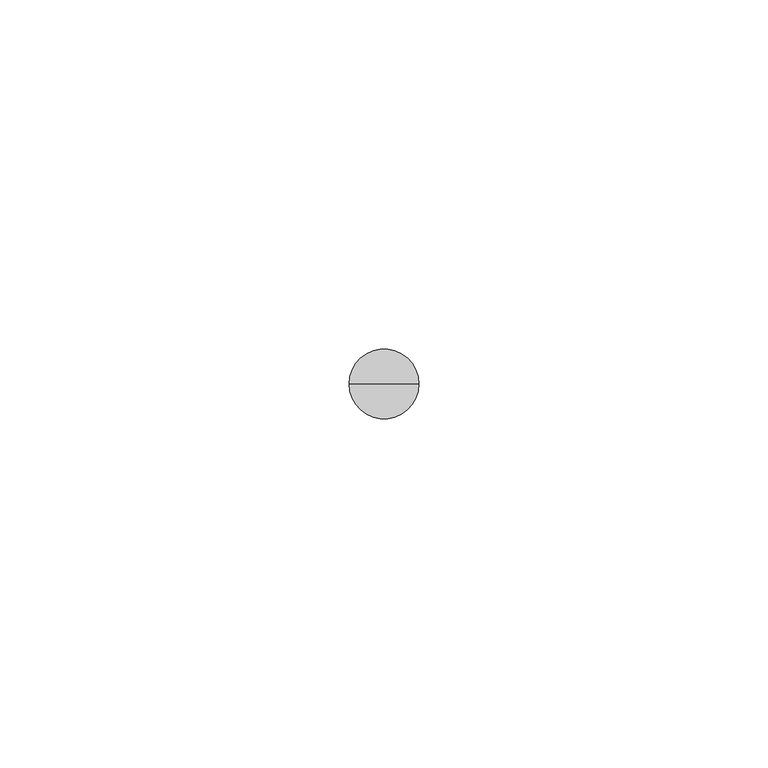
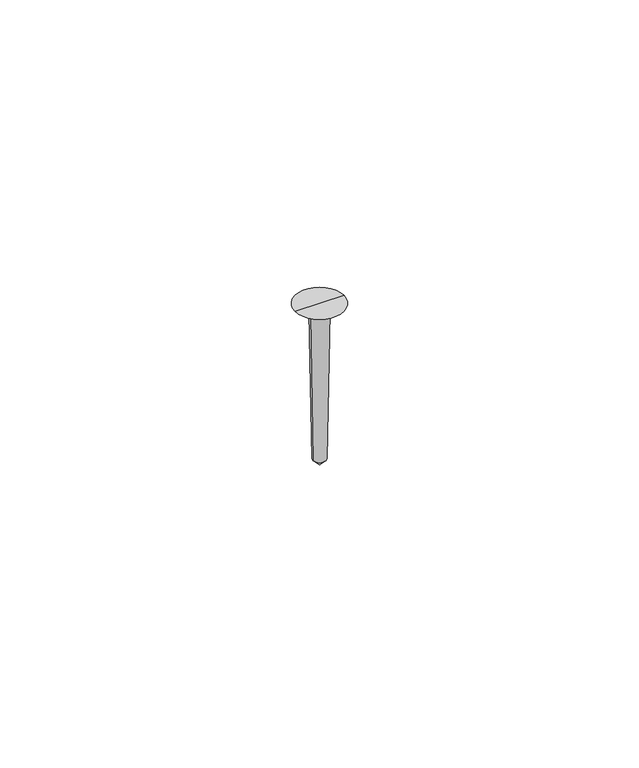
"""IFC4 building model written with IfcOpenShell, lengths in millimetres: proxy geometry."""

from ifc_helpers import new_model, si_unit, frame, origin, origin_with_axes, place, context, project, spatial, polyline, circle_curve, source, transform, mapped, element, save
from ifc_brep_helpers import plane_surface, revolved_surface, advanced_brep


def generic_models_dd5f082f(model_context):
    return source(origin(), model_context, "Body", "AdvancedBrep", [
        advanced_brep(
        [(-5.0, 0.0, 0.0), (5.0, 0.0, 0.0), (1.865608, 0.0, -1.809642), (-1.865608, 0.0, -1.809642), (1.3053271, 0.0, -33.6594235), (-1.3053271, 0.0, -33.6594235), (0.0, 0.0, -35.0), (0.0, 0.0, 0.0)],
        [
            (0, 1, circle_curve(frame((0.0, 0.0, 0.0), z_axis=(0.0, 0.0, -1.0), x_axis=(1.0, 0.0, 0.0)), 5.0)),
            (1, 2),
            (2, 3, circle_curve(frame((0.0, 0.0, -1.809642), z_axis=(0.0, 0.0, 1.0), x_axis=(1.0, 0.0, 0.0)), 1.865608)),
            (3, 0),
            (1, 0, circle_curve(frame((0.0, 0.0, 0.0), z_axis=(0.0, 0.0, -1.0), x_axis=(1.0, 0.0, 0.0)), 5.0)),
            (3, 2, circle_curve(frame((0.0, 0.0, -1.809642), z_axis=(0.0, 0.0, 1.0), x_axis=(1.0, 0.0, 0.0)), 1.865608)),
            (2, 4),
            (4, 5, circle_curve(frame((0.0, 0.0, -33.6594235), z_axis=(0.0, 0.0, 1.0), x_axis=(1.0, 0.0, 0.0)), 1.3053271)),
            (5, 3),
            (5, 4, circle_curve(frame((0.0, 0.0, -33.6594235), z_axis=(0.0, 0.0, 1.0), x_axis=(1.0, 0.0, 0.0)), 1.3053271)),
            (4, 6),
            (6, 5),
            (7, 1),
            (0, 7),
        ],
        [
            revolved_surface(polyline([(1.865608, 0.0, -1.809642), (5.0, 0.0, 0.0)]), (0.0, 0.0, -1010.0), (0.0, 0.0, 1.0)),
            revolved_surface(polyline([(1.3053271, 0.0, -33.6594235), (1.865608, 0.0, -1.809642)]), (0.0, 0.0, -1010.0), (0.0, 0.0, 1.0)),
            revolved_surface(polyline([(0.0, 0.0, -35.0), (1.3053271, 0.0, -33.6594235)]), (0.0, 0.0, -1010.0), (0.0, 0.0, 1.0)),
            plane_surface(origin_with_axes()),
        ],
        [
            (0, [[1, 2, 3, 4]]),
            (0, [[5, -4, 6, -2]]),
            (1, [[-3, 7, 8, 9]]),
            (1, [[-6, -9, 10, -7]]),
            (2, [[-8, 11, 12]]),
            (2, [[-10, -12, -11]]),
            (3, [[13, -1, 14]]),
            (3, [[-14, -5, -13]]),
        ],
    ),
    ])


if __name__ == "__main__":
    model = new_model("IFC4")
    model_context = context("Model", 3, world=origin())
    ifc_project = project(units=[si_unit("LENGTHUNIT", "METRE", prefix="MILLI")], contexts=[model_context])
    site = spatial("IfcSite", under=ifc_project)
    building = spatial("IfcBuilding", under=site)
    placement = place(None, origin())
    generic_models_shape = generic_models_dd5f082f(model_context)
    element("IfcBuildingElementProxy", 1, Name="Generic Models", at=placement, inside=building, context=model_context, shape_type="MappedRepresentation", body=[
        mapped(generic_models_shape, transform((0.0, 0.0, 0.0), x_axis=(1.0, 0.0, 0.0), y_axis=(0.0, 1.0, 0.0), z_axis=(0.0, 0.0, 1.0))),
    ])
    save(model, "model.ifc")
